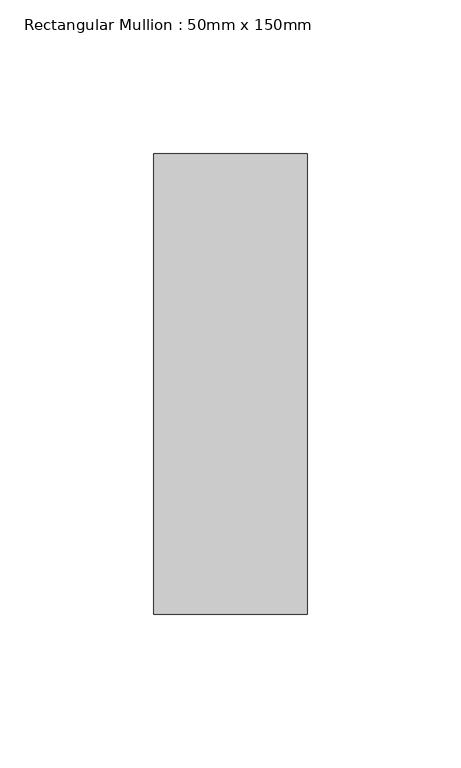
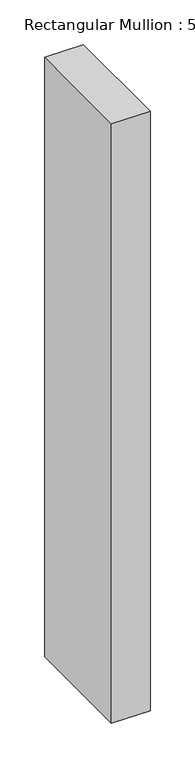
"""IFC4 building model written with IfcOpenShell, lengths in millimetres: member geometry, Rectangular Mullion : 50mm x 150mm."""

import ifcopenshell
import ifcopenshell.guid

model = None  # the IFC model being written
_history = None  # IfcOwnerHistory: only IFC2X3 demands one
_inside = {}  # id of a spatial element -> (the spatial element, [elements in it])
_under = {}  # id of a project, library or spatial element -> (it, [spatial elements below it])
_declared = {}  # id of a project -> (the project, [libraries it declares])
_typed = {}  # id of a type object -> (the type object, [elements of that type])
_made_of = {}  # id of a material, layer set ... -> (it, [elements and type objects made of it])


def new_model(schema):
    """Start an empty IFC model of exactly this schema.

    Asked for "IFC4X3", IfcOpenShell would pick the latest addendum, in which some entities
    have other attributes; the version numbers below select the first issue.
    IFC2X3 requires an IfcOwnerHistory on every rooted entity: one is made here for all.
    """
    global model, _history
    if schema == "IFC4X3":
        model = ifcopenshell.file(schema_version=(4, 3, 0, 0))
    else:
        model = ifcopenshell.file(schema=schema)
    _inside.clear()
    _under.clear()
    _declared.clear()
    _typed.clear()
    _made_of.clear()
    _history = None
    if model.schema == "IFC2X3":
        org = make("IfcOrganization", Name="unknown")
        user = make(
            "IfcPersonAndOrganization",
            ThePerson=make("IfcPerson", FamilyName="unknown"),
            TheOrganization=org,
        )
        app = make(
            "IfcApplication",
            ApplicationDeveloper=org,
            Version="unknown",
            ApplicationFullName="unknown",
            ApplicationIdentifier="unknown",
        )
        _history = make(
            "IfcOwnerHistory",
            OwningUser=user,
            OwningApplication=app,
            ChangeAction="ADDED",
            CreationDate=0,
        )
    return model


def make(cls, **values):
    """One entity of the class cls with the attributes given. An attribute that is None is left unset."""
    return model.create_entity(
        cls, **{name: value for name, value in values.items() if value is not None}
    )


def rooted(cls, **values):
    """An entity with a GlobalId (a new one), such as an element, a storey or a relation."""
    return make(cls, GlobalId=ifcopenshell.guid.new(), OwnerHistory=_history, **values)


def si_unit(unit_type, name, prefix=None):
    """IfcSIUnit, for example si_unit("LENGTHUNIT", "METRE", prefix="MILLI")."""
    return make("IfcSIUnit", UnitType=unit_type, Prefix=prefix, Name=name)


def assignment(units):
    """IfcUnitAssignment: the units of a project."""
    return None if units is None else make("IfcUnitAssignment", Units=units)


def point(xyz):
    """IfcCartesianPoint."""
    return None if xyz is None else make("IfcCartesianPoint", Coordinates=xyz)


def direction(xyz):
    """IfcDirection."""
    return None if xyz is None else make("IfcDirection", DirectionRatios=xyz)


def frame(location, z_axis=None, x_axis=None):
    """IfcAxis2Placement3D, a coordinate frame: its origin and axes. An axis left out is left unset."""
    return make(
        "IfcAxis2Placement3D",
        Location=point(location),
        Axis=direction(z_axis),
        RefDirection=direction(x_axis),
    )


def origin():
    """The frame at (0, 0, 0) with its axes left unset."""
    return frame((0.0, 0.0, 0.0))


def place(relative_to, where):
    """IfcLocalPlacement: puts the frame where relative to a parent placement (None: the world)."""
    return make(
        "IfcLocalPlacement", PlacementRelTo=relative_to, RelativePlacement=where
    )


def context(
    kind, dimensions, precision=None, world=None, true_north=None, identifier=None
):
    """IfcGeometricRepresentationContext, for example the 3D "Model" context."""
    return make(
        "IfcGeometricRepresentationContext",
        ContextIdentifier=identifier,
        ContextType=kind,
        CoordinateSpaceDimension=dimensions,
        Precision=precision,
        WorldCoordinateSystem=world,
        TrueNorth=true_north,
    )


def project(units=None, contexts=None):
    """IfcProject with its units and contexts."""
    return rooted(
        "IfcProject",
        Name="project",
        RepresentationContexts=contexts,
        UnitsInContext=assignment(units),
    )


def spatial(cls, under=None, at=None, **own):
    """A site, building, storey or space (cls), placed at a placement, below another one or the project."""
    s = rooted(cls, ObjectPlacement=at, **own)
    if under is not None:
        _under.setdefault(under.id(), (under, []))[1].append(s)
    return s


def polyline(points):
    """IfcPolyline through the points."""
    return make("IfcPolyline", Points=[point(p) for p in points])


def outline(outer, holes=None, kind="AREA"):
    """IfcArbitraryClosedProfileDef: a profile drawn as a closed curve; with holes, ...WithVoids."""
    if holes is None:
        return make("IfcArbitraryClosedProfileDef", ProfileType=kind, OuterCurve=outer)
    return make(
        "IfcArbitraryProfileDefWithVoids",
        ProfileType=kind,
        OuterCurve=outer,
        InnerCurves=holes,
    )


def extrude(swept, where, along, depth):
    """IfcExtrudedAreaSolid: the profile swept, set in the frame where, extruded along a direction by depth."""
    return make(
        "IfcExtrudedAreaSolid",
        SweptArea=swept,
        Position=where,
        ExtrudedDirection=direction(along),
        Depth=depth,
    )


def shape(context_of_items, identifier, shape_type, items):
    """IfcShapeRepresentation: the items that make up one representation, for example the "Body"."""
    return make(
        "IfcShapeRepresentation",
        ContextOfItems=context_of_items,
        RepresentationIdentifier=identifier,
        RepresentationType=shape_type,
        Items=items,
    )


def source(mapping_origin, context_of_items, identifier, shape_type, items):
    """IfcRepresentationMap: a shape defined once, which mapped items show again and again."""
    return make(
        "IfcRepresentationMap",
        MappingOrigin=mapping_origin,
        MappedRepresentation=shape(context_of_items, identifier, shape_type, items),
    )


def transform(
    local_origin,
    x_axis=None,
    y_axis=None,
    z_axis=None,
    scale=None,
    scale2=None,
    scale3=None,
    uniform=True,
):
    """IfcCartesianTransformationOperator3D, or its non-uniform kind. x_axis, y_axis, z_axis: its Axis1, 2, 3."""
    if uniform:
        return make(
            "IfcCartesianTransformationOperator3D",
            Axis1=direction(x_axis),
            Axis2=direction(y_axis),
            LocalOrigin=point(local_origin),
            Scale=scale,
            Axis3=direction(z_axis),
        )
    return make(
        "IfcCartesianTransformationOperator3DnonUniform",
        Axis1=direction(x_axis),
        Axis2=direction(y_axis),
        LocalOrigin=point(local_origin),
        Scale=scale,
        Axis3=direction(z_axis),
        Scale2=scale2,
        Scale3=scale3,
    )


def mapped(mapping_source, mapping_target):
    """IfcMappedItem: shows the shape of a source again, moved by a transform."""
    return make(
        "IfcMappedItem", MappingSource=mapping_source, MappingTarget=mapping_target
    )


def made_of(thing, what):
    """Note that an element or type object is made of a material, layer set ...; save() writes the relation."""
    if what is not None:
        _made_of.setdefault(what.id(), (what, []))[1].append(thing)
    return thing


def element(
    cls,
    number,
    at=None,
    inside=None,
    cuts=None,
    type_object=None,
    material=None,
    context=None,
    identifier="Body",
    shape_type=None,
    held_by="IfcProductDefinitionShape",
    body=None,
    shapes=None,
    **own,
):
    """One element of the class cls, such as IfcWall. Its Tag is "e" and its number.

    at: its placement. inside: the storey or other place that contains it. cuts: it is an
    opening in that element (IfcRelVoidsElement). A single representation is given by context,
    identifier, shape_type and body (its items); several are given by shapes. held_by: the class
    of the entity that holds the representations. save() writes the other relations.
    """
    e = rooted(cls, Tag="e%d" % number, ObjectPlacement=at, **own)
    if body is not None:
        shapes = [shape(context, identifier, shape_type, body)]
    if shapes is not None:
        e.Representation = make(held_by, Representations=shapes)
    if inside is not None:
        _inside.setdefault(inside.id(), (inside, []))[1].append(e)
    if cuts is not None:
        rooted(
            "IfcRelVoidsElement", RelatingBuildingElement=cuts, RelatedOpeningElement=e
        )
    if type_object is not None:
        _typed.setdefault(type_object.id(), (type_object, []))[1].append(e)
    return made_of(e, material)


def aggregate(whole, parts):
    """IfcRelAggregates: a whole, such as a stair, and the parts it consists of."""
    return rooted("IfcRelAggregates", RelatingObject=whole, RelatedObjects=parts)


def save(model, path):
    """Write the relations noted so far, then the file.

    IfcRelAggregates (storeys below a building ...), IfcRelContainedInSpatialStructure (elements
    in a storey), IfcRelDefinesByType, IfcRelAssociatesMaterial and IfcRelDeclares: one each for
    every whole, place, type object, material and project.
    """
    for whole, parts in _under.values():
        aggregate(whole, parts)
    for where, things in _inside.values():
        rooted(
            "IfcRelContainedInSpatialStructure",
            RelatedElements=things,
            RelatingStructure=where,
        )
    for kind, things in _typed.values():
        rooted("IfcRelDefinesByType", RelatedObjects=things, RelatingType=kind)
    for what, things in _made_of.values():
        rooted("IfcRelAssociatesMaterial", RelatedObjects=things, RelatingMaterial=what)
    for by, libraries in _declared.values():
        rooted("IfcRelDeclares", RelatingContext=by, RelatedDefinitions=libraries)
    model.write(path)


def rectangular_mullion_50mm_x_150mm_71afb357(model_context):
    return source(origin(), model_context, "Body", "SweptSolid", [
        extrude(outline(polyline([(0.0, 75.0), (0.0, -75.0), (-50.0, -75.0), (-50.0, 75.0), (0.0, 75.0)])), frame((0.0, 0.0, -821.0), z_axis=(0.0, 0.0, 1.0), x_axis=(1.0, 0.0, 0.0)), (0.0, 0.0, 1.0), 821.0),
    ])


if __name__ == "__main__":
    model = new_model("IFC4")
    model_context = context("Model", 3, world=origin())
    ifc_project = project(units=[si_unit("LENGTHUNIT", "METRE", prefix="MILLI")], contexts=[model_context])
    site = spatial("IfcSite", under=ifc_project)
    building = spatial("IfcBuilding", under=site)
    placement = place(None, origin())
    rectangular_mullion_50mm_x_150mm_shape = rectangular_mullion_50mm_x_150mm_71afb357(model_context)
    element("IfcMember", 1, ObjectType="Rectangular Mullion : 50mm x 150mm", at=placement, inside=building, context=model_context, shape_type="MappedRepresentation", body=[
        mapped(rectangular_mullion_50mm_x_150mm_shape, transform((0.0, 0.0, 0.0), x_axis=(1.0, 0.0, 0.0), y_axis=(0.0, 1.0, 0.0), z_axis=(0.0, 0.0, 1.0))),
    ])
    save(model, "model.ifc")
